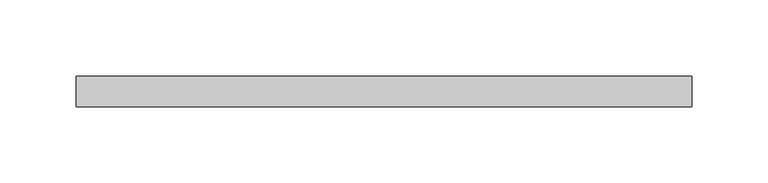
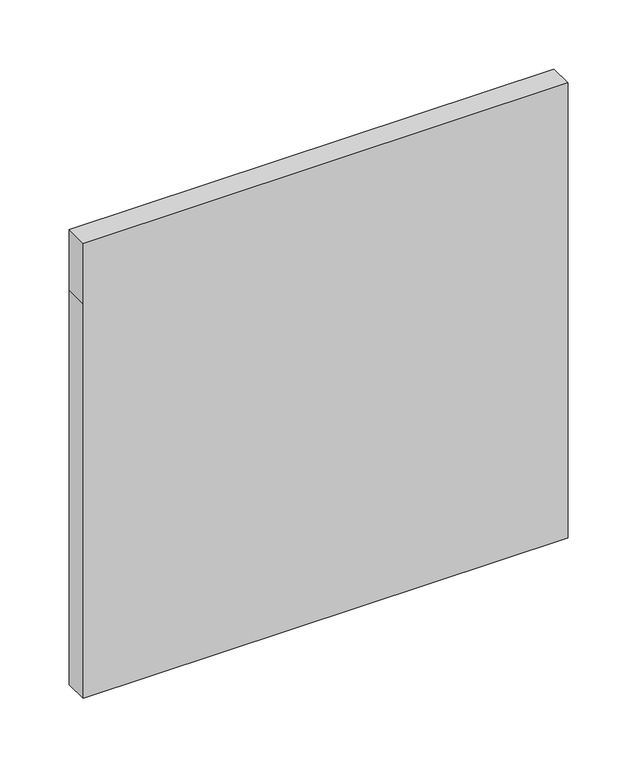
"""IFC4 building model written with IfcOpenShell, lengths in millimetres: plate geometry."""

from ifc_helpers import new_model, si_unit, frame, origin, place, context, project, spatial, polyline, outline, extrude, source, transform, mapped, element, save


def plate_f1c8fd5b(model_context):
    return source(origin(), model_context, "Body", "SweptSolid", [
        extrude(outline(polyline([(0.0, -202.3913043), (0.0, 202.3913043), (401.6624409, 202.3913043), (401.6624409, -202.3913043), (348.3248819, -202.3913043), (0.0, -202.3913043)])), frame((0.0, 70.0, 0.0), z_axis=(0.0, 1.0, 0.0), x_axis=(0.0, 0.0, 1.0)), (0.0, 0.0, 1.0), 20.0),
    ])


if __name__ == "__main__":
    model = new_model("IFC4")
    model_context = context("Model", 3, world=origin())
    ifc_project = project(units=[si_unit("LENGTHUNIT", "METRE", prefix="MILLI")], contexts=[model_context])
    site = spatial("IfcSite", under=ifc_project)
    building = spatial("IfcBuilding", under=site)
    placement = place(None, origin())
    plate_shape = plate_f1c8fd5b(model_context)
    element("IfcPlate", 1, at=placement, inside=building, context=model_context, shape_type="MappedRepresentation", body=[
        mapped(plate_shape, transform((0.0, 0.0, 0.0), x_axis=(1.0, 0.0, 0.0), y_axis=(0.0, 1.0, 0.0), z_axis=(0.0, 0.0, 1.0))),
    ])
    save(model, "model.ifc")
